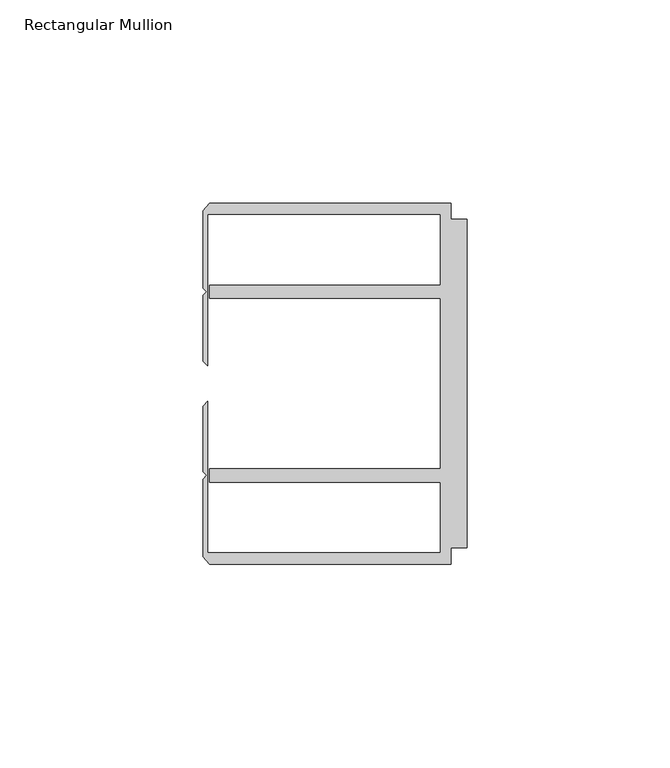
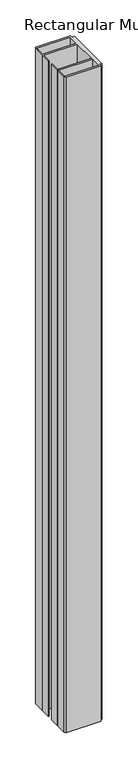
"""IFC4 building model written with IfcOpenShell, lengths in millimetres: member geometry, Rectangular Mullion."""

from ifc_helpers import new_model, si_unit, frame, origin, place, context, project, spatial, polyline, outline, extrude, source, transform, mapped, element, save


def rectangular_mullion_f03ba104(model_context):
    return source(origin(), model_context, "Body", "SweptSolid", [
        extrude(outline(polyline([(-4.0000001, 44.45), (-4.0000001, 40.4500013), (0.0, 40.4500013), (0.0, -40.4500013), (-4.0000001, -40.4500013), (-4.0000001, -44.45), (-63.5, -44.45), (-65.0875, -42.5778955), (-65.0875, -23.53206), (-64.1791674, -22.6237274), (-65.0875, -21.7153948), (-65.0875, -5.55625), (-63.9424102, -4.4111602), (-63.9424102, -41.6500013), (-6.6000002, -41.6500013), (-6.6000002, -24.2500008), (-63.5, -24.2500008), (-63.5, -20.9500007), (-6.6000002, -20.9500007), (-6.6000002, 20.9500007), (-63.5, 20.9500007), (-63.5, 24.2500008), (-6.6000002, 24.2500008), (-6.6000002, 41.6500013), (-63.9424102, 41.6500013), (-63.9424102, 4.4111602), (-65.0875, 5.55625), (-65.0875, 21.7153948), (-64.1791674, 22.6237274), (-65.0875, 23.53206), (-65.0875, 42.5778955), (-63.5, 44.45), (-4.0000001, 44.45)])), frame((0.0, 0.0, -1177.925), z_axis=(0.0, 0.0, 1.0), x_axis=(1.0, 0.0, 0.0)), (0.0, 0.0, 1.0), 1177.925),
    ])


if __name__ == "__main__":
    model = new_model("IFC4")
    model_context = context("Model", 3, world=origin())
    ifc_project = project(units=[si_unit("LENGTHUNIT", "METRE", prefix="MILLI")], contexts=[model_context])
    site = spatial("IfcSite", under=ifc_project)
    building = spatial("IfcBuilding", under=site)
    placement = place(None, origin())
    rectangular_mullion_shape = rectangular_mullion_f03ba104(model_context)
    element("IfcMember", 1, ObjectType="Rectangular Mullion", at=placement, inside=building, context=model_context, shape_type="MappedRepresentation", body=[
        mapped(rectangular_mullion_shape, transform((0.0, 0.0, 0.0), x_axis=(1.0, 0.0, 0.0), y_axis=(0.0, 1.0, 0.0), z_axis=(0.0, 0.0, 1.0))),
    ])
    save(model, "model.ifc")
